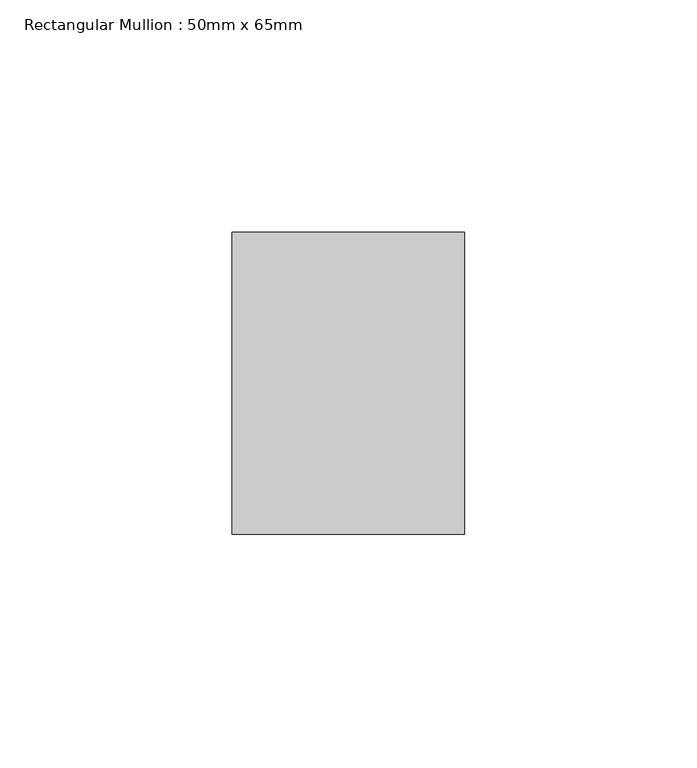
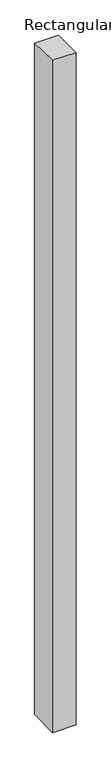
"""IFC4 building model written with IfcOpenShell, lengths in millimetres: member geometry, Rectangular Mullion : 50mm x 65mm."""

from ifc_helpers import new_model, si_unit, origin, place, context, project, spatial, faceted_brep, source, transform, mapped, element, save


def rectangular_mullion_50mm_x_65mm_bf585fa6(model_context):
    return source(origin(), model_context, "Body", "Brep", [
        faceted_brep([(-25.0, 32.5, -0.4518131), (25.0, 32.5, -0.451817), (25.0, 32.5, -1499.4314122), (-25.0, 32.5, -1499.4314172), (-25.0, -32.5, 0.451817), (-25.0, -32.5, -1500.5680573), (25.0, -32.5, 0.4518131), (25.0, -32.5, -1500.5680524)], [[[0, 1, 2, 3]], [[4, 0, 3, 5]], [[6, 4, 5, 7]], [[1, 6, 7, 2]], [[1, 0, 4, 6]], [[2, 7, 5, 3]]]),
    ])


if __name__ == "__main__":
    model = new_model("IFC4")
    model_context = context("Model", 3, world=origin())
    ifc_project = project(units=[si_unit("LENGTHUNIT", "METRE", prefix="MILLI")], contexts=[model_context])
    site = spatial("IfcSite", under=ifc_project)
    building = spatial("IfcBuilding", under=site)
    placement = place(None, origin())
    rectangular_mullion_50mm_x_65mm_shape = rectangular_mullion_50mm_x_65mm_bf585fa6(model_context)
    element("IfcMember", 1, ObjectType="Rectangular Mullion : 50mm x 65mm", at=placement, inside=building, context=model_context, shape_type="MappedRepresentation", body=[
        mapped(rectangular_mullion_50mm_x_65mm_shape, transform((0.0, 0.0, 0.0), x_axis=(1.0, 0.0, 0.0), y_axis=(0.0, 1.0, 0.0), z_axis=(0.0, 0.0, 1.0))),
    ])
    save(model, "model.ifc")
